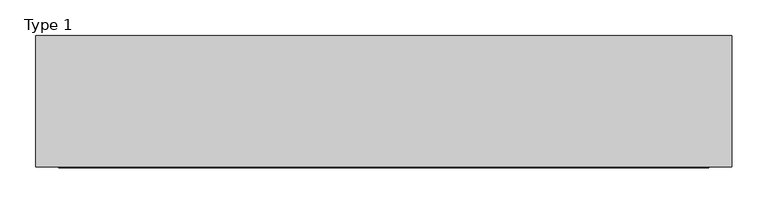
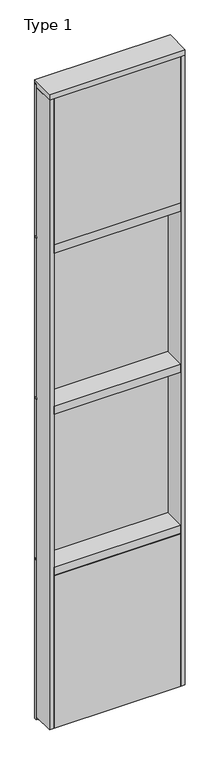
"""IFC4 building model written with IfcOpenShell, lengths in millimetres: plate geometry, Type 1."""

from ifc_helpers import new_model, si_unit, frame, origin, place, context, project, spatial, polyline, outline, extrude, source, transform, mapped, element, save


def type_1_08c9d8be(model_context):
    return source(origin(), model_context, "Body", "SweptSolid", [
        extrude(outline(polyline([(485.775, 27.6881517), (485.775, 11.2982336), (473.0760892, 11.2982336), (473.0760892, 27.6881517), (485.775, 27.6881517)])), frame((0.0, 0.0, 1225.55), z_axis=(0.0, 0.0, 1.0), x_axis=(1.0, 0.0, 0.0)), (0.0, 0.0, 1.0), 1206.5),
        extrude(outline(polyline([(-473.0760892, 27.6881517), (-473.0760892, 11.2982336), (-485.775, 11.2982336), (-485.775, 27.6881517), (-473.0760892, 27.6881517)])), frame((0.0, 0.0, 1225.55), z_axis=(0.0, 0.0, 1.0), x_axis=(1.0, 0.0, 0.0)), (0.0, 0.0, 1.0), 1206.5),
        extrude(outline(polyline([(473.0760892, 27.686), (473.0760892, 2.286), (-473.0760892, 2.286), (-473.0760892, 27.686), (473.0760892, 27.686)])), frame((0.0, 0.0, 1225.55), z_axis=(0.0, 0.0, 1.0), x_axis=(1.0, 0.0, 0.0)), (0.0, 0.0, 1.0), 1206.5),
        extrude(outline(polyline([(485.775, 27.686), (485.775, 6.35), (-485.775, 6.35), (-485.775, 27.686), (485.775, 27.686)])), frame((0.0, 0.0, 2432.05), z_axis=(0.0, 0.0, 1.0), x_axis=(1.0, 0.0, 0.0)), (0.0, 0.0, 1.0), 12.7),
        extrude(outline(polyline([(485.775, 27.6881517), (485.775, 11.2982336), (473.0760892, 11.2982336), (473.0760892, 27.6881517), (485.775, 27.6881517)])), frame((0.0, 0.0, 2444.75), z_axis=(0.0, 0.0, 1.0), x_axis=(1.0, 0.0, 0.0)), (0.0, 0.0, 1.0), 1206.5),
        extrude(outline(polyline([(-473.0760892, 27.6881517), (-473.0760892, 11.2982336), (-485.775, 11.2982336), (-485.775, 27.6881517), (-473.0760892, 27.6881517)])), frame((0.0, 0.0, 2444.75), z_axis=(0.0, 0.0, 1.0), x_axis=(1.0, 0.0, 0.0)), (0.0, 0.0, 1.0), 1206.5),
        extrude(outline(polyline([(473.0760892, 27.686), (473.0760892, 2.286), (-473.0760892, 2.286), (-473.0760892, 27.686), (473.0760892, 27.686)])), frame((0.0, 0.0, 2444.75), z_axis=(0.0, 0.0, 1.0), x_axis=(1.0, 0.0, 0.0)), (0.0, 0.0, 1.0), 1206.5),
        extrude(outline(polyline([(485.775, 27.686), (485.775, 6.35), (-485.775, 6.35), (-485.775, 27.686), (485.775, 27.686)])), frame((0.0, 0.0, 3651.25), z_axis=(0.0, 0.0, 1.0), x_axis=(1.0, 0.0, 0.0)), (0.0, 0.0, 1.0), 12.7),
        extrude(outline(polyline([(-485.775, -155.9814), (-485.775, 2.286), (-454.025, 2.286), (-454.025, -155.9814), (-485.775, -155.9814)])), frame((0.0, 0.0, 31.75), z_axis=(0.0, 0.0, 1.0), x_axis=(1.0, 0.0, 0.0)), (0.0, 0.0, 1.0), 4762.5),
        extrude(outline(polyline([(485.775, -155.9814), (454.025, -155.9814), (454.025, 2.286), (485.775, 2.286), (485.775, -155.9814)])), frame((0.0, 0.0, 31.75), z_axis=(0.0, 0.0, 1.0), x_axis=(1.0, 0.0, 0.0)), (0.0, 0.0, 1.0), 4762.5),
        extrude(outline(polyline([(454.0260892, -48.6409999), (454.0260892, -156.32684), (-454.025, -156.32684), (-454.025, -48.6409999), (454.0260892, -48.6409999)])), frame((0.0, 0.0, 3689.35), z_axis=(0.0, 0.0, 1.0), x_axis=(1.0, 0.0, 0.0)), (0.0, 0.0, 1.0), 1104.9984372),
        extrude(outline(polyline([(485.775, 27.6881517), (485.775, 11.2982336), (473.0760892, 11.2982336), (473.0760892, 27.6881517), (485.775, 27.6881517)])), frame((0.0, 0.0, 3663.95), z_axis=(0.0, 0.0, 1.0), x_axis=(1.0, 0.0, 0.0)), (0.0, 0.0, 1.0), 1149.35),
        extrude(outline(polyline([(-473.0760892, 27.6881517), (-473.0760892, 11.2982336), (-485.775, 11.2982336), (-485.775, 27.6881517), (-473.0760892, 27.6881517)])), frame((0.0, 0.0, 3663.95), z_axis=(0.0, 0.0, 1.0), x_axis=(1.0, 0.0, 0.0)), (0.0, 0.0, 1.0), 1149.35),
        extrude(outline(polyline([(473.0760892, 27.686), (473.0760892, 2.286), (-473.0760892, 2.286), (-473.0760892, 27.686), (473.0760892, 27.686)])), frame((0.0, 0.0, 3663.95), z_axis=(0.0, 0.0, 1.0), x_axis=(1.0, 0.0, 0.0)), (0.0, 0.0, 1.0), 1149.35),
        extrude(outline(polyline([(454.0260892, -48.6409999), (454.0260892, -156.32684), (-454.025, -156.32684), (-454.025, -48.6409999), (454.0260892, -48.6409999)])), frame((0.0, 0.0, 31.75), z_axis=(0.0, 0.0, 1.0), x_axis=(1.0, 0.0, 0.0)), (0.0, 0.0, 1.0), 1155.7993556),
        extrude(outline(polyline([(485.775, 27.6881517), (485.775, 11.2982336), (473.0760892, 11.2982336), (473.0760892, 27.6881517), (485.775, 27.6881517)])), frame((0.0, 0.0, 6.35), z_axis=(0.0, 0.0, 1.0), x_axis=(1.0, 0.0, 0.0)), (0.0, 0.0, 1.0), 1206.5),
        extrude(outline(polyline([(-473.0760892, 27.6881517), (-473.0760892, 11.2982336), (-485.775, 11.2982336), (-485.775, 27.6881517), (-473.0760892, 27.6881517)])), frame((0.0, 0.0, 6.35), z_axis=(0.0, 0.0, 1.0), x_axis=(1.0, 0.0, 0.0)), (0.0, 0.0, 1.0), 1206.5),
        extrude(outline(polyline([(473.0760892, 27.686), (473.0760892, 2.286), (-473.0760892, 2.286), (-473.0760892, 27.686), (473.0760892, 27.686)])), frame((0.0, 0.0, 6.35), z_axis=(0.0, 0.0, 1.0), x_axis=(1.0, 0.0, 0.0)), (0.0, 0.0, 1.0), 1206.5),
        extrude(outline(polyline([(485.775, 27.686), (485.775, 6.35), (-485.775, 6.35), (-485.775, 27.686), (485.775, 27.686)])), frame((0.0, 0.0, 1212.85), z_axis=(0.0, 0.0, 1.0), x_axis=(1.0, 0.0, 0.0)), (0.0, 0.0, 1.0), 12.7),
        extrude(outline(polyline([(-454.025, -155.4734), (-454.025, 2.286), (454.025, 2.286), (454.025, -155.4734), (-454.025, -155.4734)])), frame((0.0, 0.0, 1187.45), z_axis=(0.0, 0.0, 1.0), x_axis=(1.0, 0.0, 0.0)), (0.0, 0.0, 1.0), 63.5),
        extrude(outline(polyline([(-454.025, -155.4734), (-454.025, 2.286), (454.025, 2.286), (454.025, -155.4734), (-454.025, -155.4734)])), frame((0.0, 0.0, 2406.65), z_axis=(0.0, 0.0, 1.0), x_axis=(1.0, 0.0, 0.0)), (0.0, 0.0, 1.0), 63.5),
        extrude(outline(polyline([(-485.775, 15.9510838), (-485.775, 27.6859999), (485.775, 27.6859999), (485.775, 15.9510838), (-485.775, 15.9510838)])), frame((0.0, 0.0, 4813.9366239), z_axis=(0.0, 0.0, 1.0), x_axis=(1.0, 0.0, 0.0)), (0.0, 0.0, 1.0), 6.7161694),
        extrude(outline(polyline([(27.686, 4838.7), (27.686, 4820.6527933), (2.286, 4820.6527933), (2.286, 4794.8866239), (-155.6003929, 4794.8866239), (-155.4081413, 4838.7), (27.686, 4838.7)])), frame((-485.775, 0.0, 0.0), z_axis=(1.0, 0.0, 0.0), x_axis=(0.0, 1.0, 0.0)), (0.0, 0.0, 1.0), 971.55),
        extrude(outline(polyline([(-454.025, -155.4734), (-454.025, 2.2859999), (454.025, 2.2859999), (454.025, -155.4734), (-454.025, -155.4734)])), frame((0.0, 0.0, 3625.85), z_axis=(0.0, 0.0, 1.0), x_axis=(1.0, 0.0, 0.0)), (0.0, 0.0, 1.0), 63.5),
    ])


if __name__ == "__main__":
    model = new_model("IFC4")
    model_context = context("Model", 3, world=origin())
    ifc_project = project(units=[si_unit("LENGTHUNIT", "METRE", prefix="MILLI")], contexts=[model_context])
    site = spatial("IfcSite", under=ifc_project)
    building = spatial("IfcBuilding", under=site)
    placement = place(None, origin())
    type_1_shape = type_1_08c9d8be(model_context)
    element("IfcPlate", 1, ObjectType="Type 1", at=placement, inside=building, context=model_context, shape_type="MappedRepresentation", body=[
        mapped(type_1_shape, transform((0.0, 0.0, 0.0), x_axis=(1.0, 0.0, 0.0), y_axis=(0.0, 1.0, 0.0), z_axis=(0.0, 0.0, 1.0))),
    ])
    save(model, "model.ifc")
